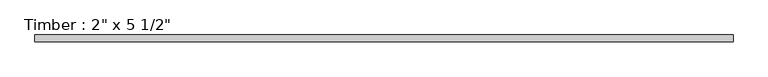
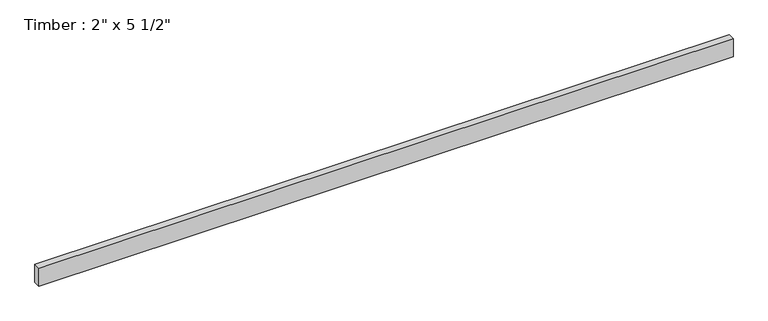
"""IFC4 building model written with IfcOpenShell, lengths in millimetres: beam geometry."""

from ifc_helpers import new_model, si_unit, frame, origin, place, context, project, spatial, polyline, outline, extrude, source, transform, mapped, element, save


def beam_0210e1c1(model_context):
    return source(origin(), model_context, "Body", "SweptSolid", [
        extrude(outline(polyline([(2574.6440975, 25.4), (2574.6440975, -25.4), (-2574.6440975, -25.4), (-2574.6440975, 25.4), (2574.6440975, 25.4)])), frame((0.0, 0.0, -69.85), z_axis=(0.0, 0.0, 1.0), x_axis=(1.0, 0.0, 0.0)), (0.0, 0.0, 1.0), 139.7),
    ])


if __name__ == "__main__":
    model = new_model("IFC4")
    model_context = context("Model", 3, world=origin())
    ifc_project = project(units=[si_unit("LENGTHUNIT", "METRE", prefix="MILLI")], contexts=[model_context])
    site = spatial("IfcSite", under=ifc_project)
    building = spatial("IfcBuilding", under=site)
    placement = place(None, origin())
    beam_shape = beam_0210e1c1(model_context)
    element("IfcBeam", 1, ObjectType="Timber : 2\" x 5 1/2\"", at=placement, inside=building, context=model_context, shape_type="MappedRepresentation", body=[
        mapped(beam_shape, transform((0.0, 0.0, 0.0), x_axis=(1.0, 0.0, 0.0), y_axis=(0.0, 1.0, 0.0), z_axis=(0.0, 0.0, 1.0))),
    ])
    save(model, "model.ifc")
